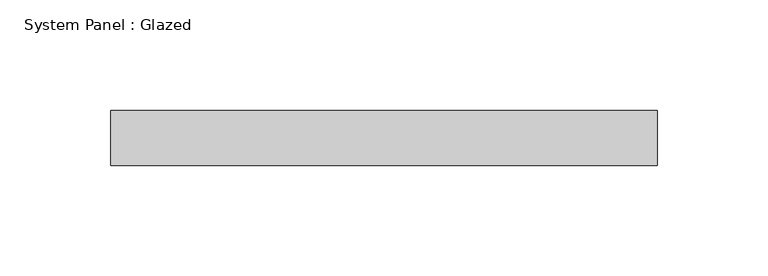
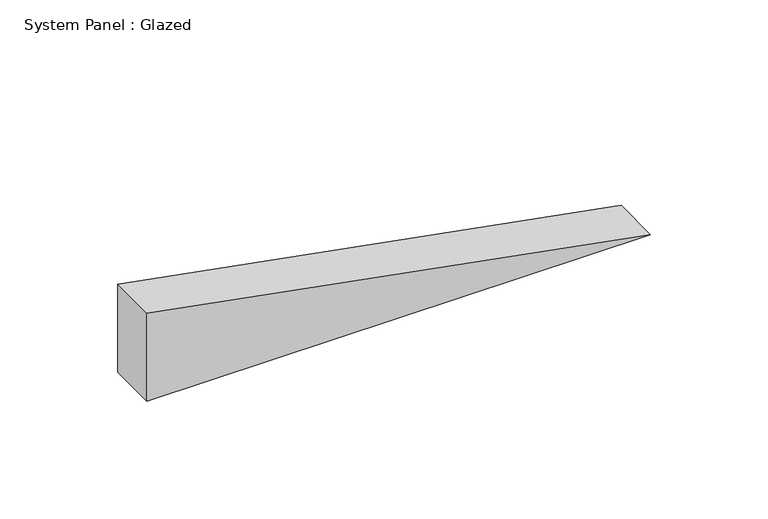
"""IFC4 building model written with IfcOpenShell, lengths in millimetres: plate geometry, System Panel : Glazed."""

from ifc_helpers import new_model, si_unit, frame, origin, place, context, project, spatial, polyline, outline, extrude, source, transform, mapped, element, save


def system_panel_glazed_115d0607(model_context):
    return source(origin(), model_context, "Body", "SweptSolid", [
        extrude(outline(polyline([(0.0, -123.7138272), (0.0, 123.7138272), (45.687579, -123.7138272), (0.0, -123.7138272)])), frame((0.0, 24.5, 0.0), z_axis=(0.0, 1.0, 0.0), x_axis=(0.0, 0.0, 1.0)), (0.0, 0.0, 1.0), 25.0),
    ])


if __name__ == "__main__":
    model = new_model("IFC4")
    model_context = context("Model", 3, world=origin())
    ifc_project = project(units=[si_unit("LENGTHUNIT", "METRE", prefix="MILLI")], contexts=[model_context])
    site = spatial("IfcSite", under=ifc_project)
    building = spatial("IfcBuilding", under=site)
    placement = place(None, origin())
    system_panel_glazed_shape = system_panel_glazed_115d0607(model_context)
    element("IfcPlate", 1, ObjectType="System Panel : Glazed", at=placement, inside=building, context=model_context, shape_type="MappedRepresentation", body=[
        mapped(system_panel_glazed_shape, transform((0.0, 0.0, 0.0), x_axis=(1.0, 0.0, 0.0), y_axis=(0.0, 1.0, 0.0), z_axis=(0.0, 0.0, 1.0))),
    ])
    save(model, "model.ifc")
